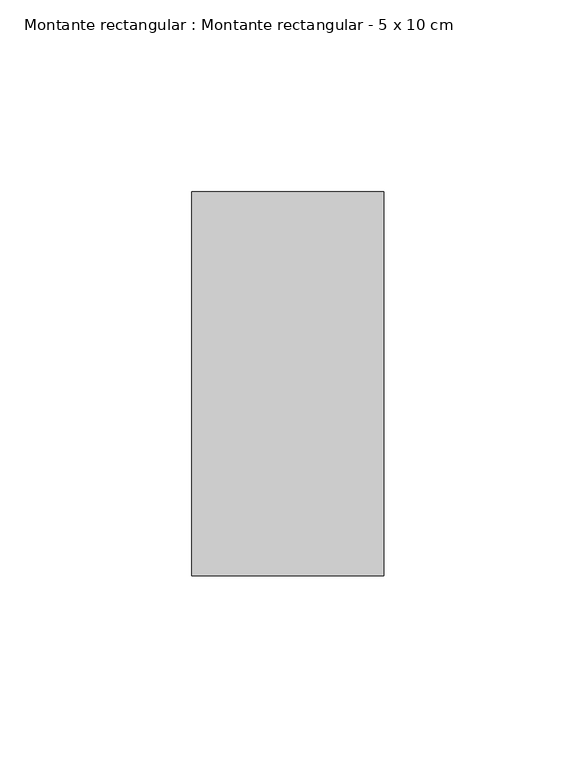
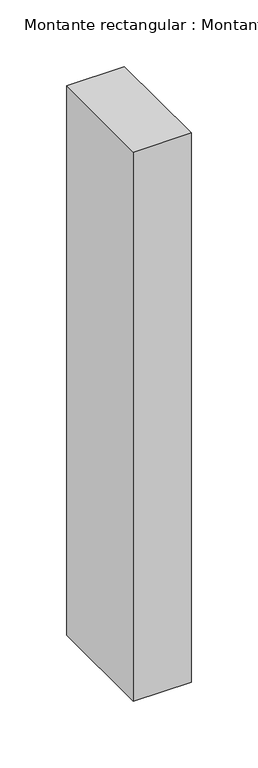
"""IFC4 building model written with IfcOpenShell, lengths in millimetres: member geometry, Montante rectangular : Montante rectangular - 5 x 10 cm."""

from ifc_helpers import new_model, si_unit, frame, origin, place, context, project, spatial, polyline, outline, extrude, source, transform, mapped, element, save


def montante_rectangular_montante_rectangular_5_x_10_cm_07194ce0(model_context):
    return source(origin(), model_context, "Body", "SweptSolid", [
        extrude(outline(polyline([(-50.0, 50.0), (0.0, 50.0), (0.0, -50.0), (-50.0, -50.0), (-50.0, 50.0)])), frame((0.0, 0.0, -503.0), z_axis=(0.0, 0.0, 1.0), x_axis=(1.0, 0.0, 0.0)), (0.0, 0.0, 1.0), 503.0),
    ])


if __name__ == "__main__":
    model = new_model("IFC4")
    model_context = context("Model", 3, world=origin())
    ifc_project = project(units=[si_unit("LENGTHUNIT", "METRE", prefix="MILLI")], contexts=[model_context])
    site = spatial("IfcSite", under=ifc_project)
    building = spatial("IfcBuilding", under=site)
    placement = place(None, origin())
    montante_rectangular_montante_rectangular_5_x_10_cm_shape = montante_rectangular_montante_rectangular_5_x_10_cm_07194ce0(model_context)
    element("IfcMember", 1, ObjectType="Montante rectangular : Montante rectangular - 5 x 10 cm", at=placement, inside=building, context=model_context, shape_type="MappedRepresentation", body=[
        mapped(montante_rectangular_montante_rectangular_5_x_10_cm_shape, transform((0.0, 0.0, 0.0), x_axis=(1.0, 0.0, 0.0), y_axis=(0.0, 1.0, 0.0), z_axis=(0.0, 0.0, 1.0))),
    ])
    save(model, "model.ifc")
